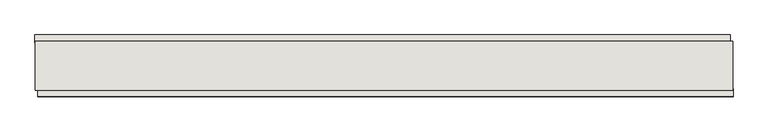
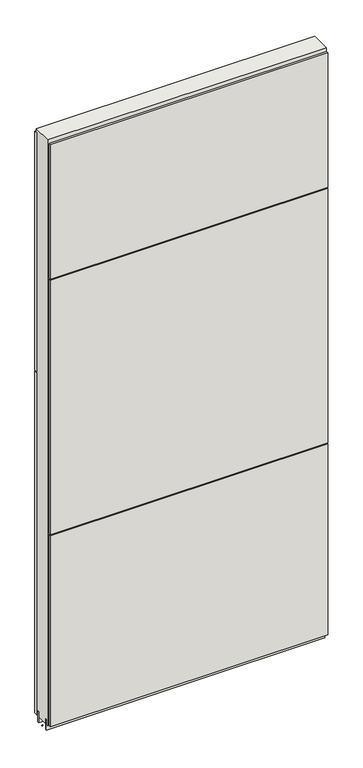
"""IFC4 building model written with IfcOpenShell, lengths in millimetres: wall geometry."""

from ifc_helpers import new_model, si_unit, frame, origin, place, context, project, spatial, polyline, outline, extrude, source, transform, mapped, element, save


def wall_454cded1(model_context):
    return source(origin(), model_context, "Body", "SweptSolid", [
        extrude(outline(polyline([(80477.455504, -42604.4245954), (80474.915504, -42604.4245954), (80474.915504, -42601.8845954), (80477.455504, -42601.8845954), (80477.455504, -42604.4245954)])), frame((0.0, 0.0, 4419.6), z_axis=(0.0, 0.0, 1.0), x_axis=(1.0, 0.0, 0.0)), (0.0, 0.0, 1.0), 2.54),
        extrude(outline(polyline([(80474.4486774, -42552.3545954), (81622.8322582, -42552.3545954), (81622.8322582, -42565.0545954), (80474.4486774, -42565.0545954), (80474.4486774, -42552.3545954)])), frame((0.0, 0.0, 5945.6000722), z_axis=(0.0, 0.0, 1.0), x_axis=(1.0, 0.0, 0.0)), (0.0, 0.0, 1.0), 1044.449905),
        extrude(outline(polyline([(80474.4486774, -42552.3545954), (81622.8322582, -42552.3545954), (81622.8322582, -42565.0545954), (80474.4486774, -42565.0545954), (80474.4486774, -42552.3545954)])), frame((0.0, 0.0, 4445.0), z_axis=(0.0, 0.0, 1.0), x_axis=(1.0, 0.0, 0.0)), (0.0, 0.0, 1.0), 1496.600004),
        extrude(outline(polyline([(81627.762195, -42653.9545954), (80479.3786142, -42653.9545954), (80479.3786142, -42641.2545954), (81627.762195, -42641.2545954), (81627.762195, -42653.9545954)])), frame((0.0, 0.0, 6402.8000722), z_axis=(0.0, 0.0, 1.0), x_axis=(1.0, 0.0, 0.0)), (0.0, 0.0, 1.0), 587.2498034),
        extrude(outline(polyline([(81627.762195, -42653.9545954), (80479.3786142, -42653.9545954), (80479.3786142, -42641.2545954), (81627.762195, -42641.2545954), (81627.762195, -42653.9545954)])), frame((0.0, 0.0, 5285.2000722), z_axis=(0.0, 0.0, 1.0), x_axis=(1.0, 0.0, 0.0)), (0.0, 0.0, 1.0), 1113.5999572),
        extrude(outline(polyline([(81627.762195, -42653.9545954), (80479.3786142, -42653.9545954), (80479.3786142, -42641.2545954), (81627.762195, -42641.2545954), (81627.762195, -42653.9545954)])), frame((0.0, 0.0, 4445.0), z_axis=(0.0, 0.0, 1.0), x_axis=(1.0, 0.0, 0.0)), (0.0, 0.0, 1.0), 836.200004),
        extrude(outline(polyline([(81627.2966384, -42578.0708508), (80474.920457, -42578.0708508), (80474.920457, -42572.9920954), (81627.2966384, -42572.9920954), (81627.2966384, -42578.0708508)])), frame((0.0, 0.0, 4418.6602), z_axis=(0.0, 0.0, 1.0), x_axis=(1.0, 0.0, 0.0)), (0.0, 0.0, 1.0), 47.625),
        extrude(outline(polyline([(81627.2966384, -42578.0708508), (80474.920457, -42578.0708508), (80474.920457, -42572.9920954), (81627.2966384, -42572.9920954), (81627.2966384, -42578.0708508)])), frame((0.0, 0.0, 4418.6602), z_axis=(0.0, 0.0, 1.0), x_axis=(1.0, 0.0, 0.0)), (0.0, 0.0, 1.0), 47.625),
        extrude(outline(polyline([(80474.920457, -42628.2352412), (81627.2966384, -42628.2352412), (81627.2966384, -42633.3170954), (80474.920457, -42633.3170954), (80474.920457, -42628.2352412)])), frame((0.0, 0.0, 4418.6602), z_axis=(0.0, 0.0, 1.0), x_axis=(1.0, 0.0, 0.0)), (0.0, 0.0, 1.0), 47.625),
        extrude(outline(polyline([(80474.920457, -42628.2352412), (81627.2966384, -42628.2352412), (81627.2966384, -42633.3170954), (80474.920457, -42633.3170954), (80474.920457, -42628.2352412)])), frame((0.0, 0.0, 4418.6602), z_axis=(0.0, 0.0, 1.0), x_axis=(1.0, 0.0, 0.0)), (0.0, 0.0, 1.0), 47.625),
        extrude(outline(polyline([(81627.2966384, -42562.5245014), (81627.2966384, -42643.806381), (80474.920457, -42643.806381), (80474.920457, -42562.5245014), (81627.2966384, -42562.5245014)])), frame((0.0, 0.0, 4445.0), z_axis=(0.0, 0.0, 1.0), x_axis=(1.0, 0.0, 0.0)), (0.0, 0.0, 1.0), 2562.4536762),
    ])


if __name__ == "__main__":
    model = new_model("IFC4")
    model_context = context("Model", 3, world=origin())
    ifc_project = project(units=[si_unit("LENGTHUNIT", "METRE", prefix="MILLI")], contexts=[model_context])
    site = spatial("IfcSite", under=ifc_project)
    building = spatial("IfcBuilding", under=site)
    placement = place(None, origin())
    wall_shape = wall_454cded1(model_context)
    element("IfcWall", 1, at=placement, inside=building, context=model_context, shape_type="MappedRepresentation", body=[
        mapped(wall_shape, transform((0.0, 0.0, 0.0), x_axis=(1.0, 0.0, 0.0), y_axis=(0.0, 1.0, 0.0), z_axis=(0.0, 0.0, 1.0))),
    ])
    save(model, "model.ifc")
